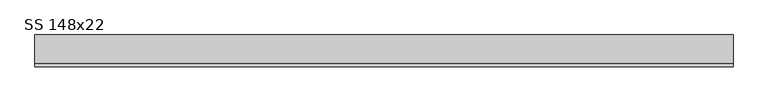
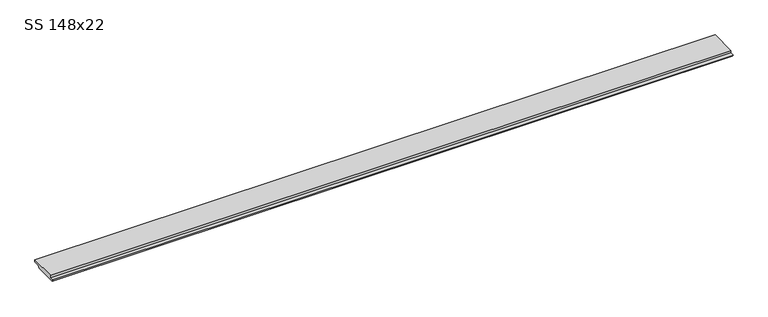
"""IFC4 building model written with IfcOpenShell, lengths in millimetres: beam geometry, SS 148x22."""

from ifc_helpers import new_model, si_unit, frame, origin, place, context, project, spatial, polyline, outline, extrude, source, transform, mapped, element, save


def ss_148x22_c98190bc(model_context):
    return source(origin(), model_context, "Body", "SweptSolid", [
        extrude(outline(polyline([(-56.0, 0.0), (-56.0, 11.0), (74.0, 11.0), (74.0, 0.0), (46.0, 0.0), (39.649147, -11.0), (-67.649147, -11.0), (-74.0, 0.0), (-56.0, 0.0)])), frame((-1612.0, 0.0, 0.0), z_axis=(1.0, 0.0, 0.0), x_axis=(0.0, 1.0, 0.0)), (0.0, 0.0, 1.0), 3224.0),
    ])


if __name__ == "__main__":
    model = new_model("IFC4")
    model_context = context("Model", 3, world=origin())
    ifc_project = project(units=[si_unit("LENGTHUNIT", "METRE", prefix="MILLI")], contexts=[model_context])
    site = spatial("IfcSite", under=ifc_project)
    building = spatial("IfcBuilding", under=site)
    placement = place(None, origin())
    ss_148x22_shape = ss_148x22_c98190bc(model_context)
    element("IfcBeam", 1, ObjectType="SS 148x22", at=placement, inside=building, context=model_context, shape_type="MappedRepresentation", body=[
        mapped(ss_148x22_shape, transform((0.0, 0.0, 0.0), x_axis=(1.0, 0.0, 0.0), y_axis=(0.0, 1.0, 0.0), z_axis=(0.0, 0.0, 1.0))),
    ])
    save(model, "model.ifc")
